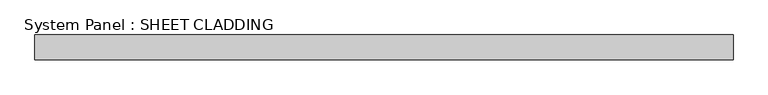
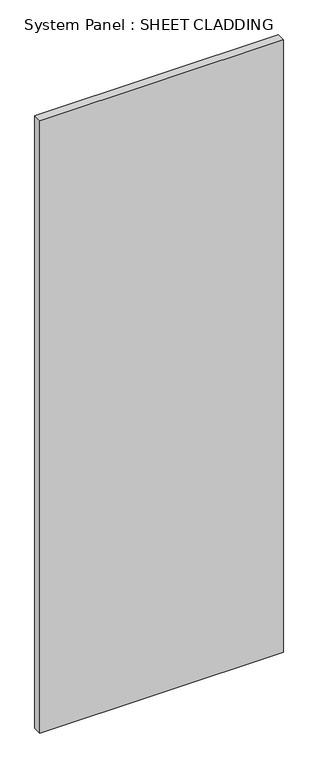
"""IFC4 building model written with IfcOpenShell, lengths in millimetres: plate geometry, System Panel : SHEET CLADDING."""

import ifcopenshell
import ifcopenshell.guid

model = None  # the IFC model being written
_history = None  # IfcOwnerHistory: only IFC2X3 demands one
_inside = {}  # id of a spatial element -> (the spatial element, [elements in it])
_under = {}  # id of a project, library or spatial element -> (it, [spatial elements below it])
_declared = {}  # id of a project -> (the project, [libraries it declares])
_typed = {}  # id of a type object -> (the type object, [elements of that type])
_made_of = {}  # id of a material, layer set ... -> (it, [elements and type objects made of it])


def new_model(schema):
    """Start an empty IFC model of exactly this schema.

    Asked for "IFC4X3", IfcOpenShell would pick the latest addendum, in which some entities
    have other attributes; the version numbers below select the first issue.
    IFC2X3 requires an IfcOwnerHistory on every rooted entity: one is made here for all.
    """
    global model, _history
    if schema == "IFC4X3":
        model = ifcopenshell.file(schema_version=(4, 3, 0, 0))
    else:
        model = ifcopenshell.file(schema=schema)
    _inside.clear()
    _under.clear()
    _declared.clear()
    _typed.clear()
    _made_of.clear()
    _history = None
    if model.schema == "IFC2X3":
        org = make("IfcOrganization", Name="unknown")
        user = make(
            "IfcPersonAndOrganization",
            ThePerson=make("IfcPerson", FamilyName="unknown"),
            TheOrganization=org,
        )
        app = make(
            "IfcApplication",
            ApplicationDeveloper=org,
            Version="unknown",
            ApplicationFullName="unknown",
            ApplicationIdentifier="unknown",
        )
        _history = make(
            "IfcOwnerHistory",
            OwningUser=user,
            OwningApplication=app,
            ChangeAction="ADDED",
            CreationDate=0,
        )
    return model


def make(cls, **values):
    """One entity of the class cls with the attributes given. An attribute that is None is left unset."""
    return model.create_entity(
        cls, **{name: value for name, value in values.items() if value is not None}
    )


def rooted(cls, **values):
    """An entity with a GlobalId (a new one), such as an element, a storey or a relation."""
    return make(cls, GlobalId=ifcopenshell.guid.new(), OwnerHistory=_history, **values)


def si_unit(unit_type, name, prefix=None):
    """IfcSIUnit, for example si_unit("LENGTHUNIT", "METRE", prefix="MILLI")."""
    return make("IfcSIUnit", UnitType=unit_type, Prefix=prefix, Name=name)


def assignment(units):
    """IfcUnitAssignment: the units of a project."""
    return None if units is None else make("IfcUnitAssignment", Units=units)


def point(xyz):
    """IfcCartesianPoint."""
    return None if xyz is None else make("IfcCartesianPoint", Coordinates=xyz)


def direction(xyz):
    """IfcDirection."""
    return None if xyz is None else make("IfcDirection", DirectionRatios=xyz)


def frame(location, z_axis=None, x_axis=None):
    """IfcAxis2Placement3D, a coordinate frame: its origin and axes. An axis left out is left unset."""
    return make(
        "IfcAxis2Placement3D",
        Location=point(location),
        Axis=direction(z_axis),
        RefDirection=direction(x_axis),
    )


def origin():
    """The frame at (0, 0, 0) with its axes left unset."""
    return frame((0.0, 0.0, 0.0))


def origin_with_axes():
    """The frame at (0, 0, 0) with the z axis (0, 0, 1) and the x axis (1, 0, 0) written out."""
    return frame((0.0, 0.0, 0.0), z_axis=(0.0, 0.0, 1.0), x_axis=(1.0, 0.0, 0.0))


def place(relative_to, where):
    """IfcLocalPlacement: puts the frame where relative to a parent placement (None: the world)."""
    return make(
        "IfcLocalPlacement", PlacementRelTo=relative_to, RelativePlacement=where
    )


def context(
    kind, dimensions, precision=None, world=None, true_north=None, identifier=None
):
    """IfcGeometricRepresentationContext, for example the 3D "Model" context."""
    return make(
        "IfcGeometricRepresentationContext",
        ContextIdentifier=identifier,
        ContextType=kind,
        CoordinateSpaceDimension=dimensions,
        Precision=precision,
        WorldCoordinateSystem=world,
        TrueNorth=true_north,
    )


def project(units=None, contexts=None):
    """IfcProject with its units and contexts."""
    return rooted(
        "IfcProject",
        Name="project",
        RepresentationContexts=contexts,
        UnitsInContext=assignment(units),
    )


def spatial(cls, under=None, at=None, **own):
    """A site, building, storey or space (cls), placed at a placement, below another one or the project."""
    s = rooted(cls, ObjectPlacement=at, **own)
    if under is not None:
        _under.setdefault(under.id(), (under, []))[1].append(s)
    return s


def polyline(points):
    """IfcPolyline through the points."""
    return make("IfcPolyline", Points=[point(p) for p in points])


def outline(outer, holes=None, kind="AREA"):
    """IfcArbitraryClosedProfileDef: a profile drawn as a closed curve; with holes, ...WithVoids."""
    if holes is None:
        return make("IfcArbitraryClosedProfileDef", ProfileType=kind, OuterCurve=outer)
    return make(
        "IfcArbitraryProfileDefWithVoids",
        ProfileType=kind,
        OuterCurve=outer,
        InnerCurves=holes,
    )


def extrude(swept, where, along, depth):
    """IfcExtrudedAreaSolid: the profile swept, set in the frame where, extruded along a direction by depth."""
    return make(
        "IfcExtrudedAreaSolid",
        SweptArea=swept,
        Position=where,
        ExtrudedDirection=direction(along),
        Depth=depth,
    )


def shape(context_of_items, identifier, shape_type, items):
    """IfcShapeRepresentation: the items that make up one representation, for example the "Body"."""
    return make(
        "IfcShapeRepresentation",
        ContextOfItems=context_of_items,
        RepresentationIdentifier=identifier,
        RepresentationType=shape_type,
        Items=items,
    )


def source(mapping_origin, context_of_items, identifier, shape_type, items):
    """IfcRepresentationMap: a shape defined once, which mapped items show again and again."""
    return make(
        "IfcRepresentationMap",
        MappingOrigin=mapping_origin,
        MappedRepresentation=shape(context_of_items, identifier, shape_type, items),
    )


def transform(
    local_origin,
    x_axis=None,
    y_axis=None,
    z_axis=None,
    scale=None,
    scale2=None,
    scale3=None,
    uniform=True,
):
    """IfcCartesianTransformationOperator3D, or its non-uniform kind. x_axis, y_axis, z_axis: its Axis1, 2, 3."""
    if uniform:
        return make(
            "IfcCartesianTransformationOperator3D",
            Axis1=direction(x_axis),
            Axis2=direction(y_axis),
            LocalOrigin=point(local_origin),
            Scale=scale,
            Axis3=direction(z_axis),
        )
    return make(
        "IfcCartesianTransformationOperator3DnonUniform",
        Axis1=direction(x_axis),
        Axis2=direction(y_axis),
        LocalOrigin=point(local_origin),
        Scale=scale,
        Axis3=direction(z_axis),
        Scale2=scale2,
        Scale3=scale3,
    )


def mapped(mapping_source, mapping_target):
    """IfcMappedItem: shows the shape of a source again, moved by a transform."""
    return make(
        "IfcMappedItem", MappingSource=mapping_source, MappingTarget=mapping_target
    )


def made_of(thing, what):
    """Note that an element or type object is made of a material, layer set ...; save() writes the relation."""
    if what is not None:
        _made_of.setdefault(what.id(), (what, []))[1].append(thing)
    return thing


def element(
    cls,
    number,
    at=None,
    inside=None,
    cuts=None,
    type_object=None,
    material=None,
    context=None,
    identifier="Body",
    shape_type=None,
    held_by="IfcProductDefinitionShape",
    body=None,
    shapes=None,
    **own,
):
    """One element of the class cls, such as IfcWall. Its Tag is "e" and its number.

    at: its placement. inside: the storey or other place that contains it. cuts: it is an
    opening in that element (IfcRelVoidsElement). A single representation is given by context,
    identifier, shape_type and body (its items); several are given by shapes. held_by: the class
    of the entity that holds the representations. save() writes the other relations.
    """
    e = rooted(cls, Tag="e%d" % number, ObjectPlacement=at, **own)
    if body is not None:
        shapes = [shape(context, identifier, shape_type, body)]
    if shapes is not None:
        e.Representation = make(held_by, Representations=shapes)
    if inside is not None:
        _inside.setdefault(inside.id(), (inside, []))[1].append(e)
    if cuts is not None:
        rooted(
            "IfcRelVoidsElement", RelatingBuildingElement=cuts, RelatedOpeningElement=e
        )
    if type_object is not None:
        _typed.setdefault(type_object.id(), (type_object, []))[1].append(e)
    return made_of(e, material)


def aggregate(whole, parts):
    """IfcRelAggregates: a whole, such as a stair, and the parts it consists of."""
    return rooted("IfcRelAggregates", RelatingObject=whole, RelatedObjects=parts)


def save(model, path):
    """Write the relations noted so far, then the file.

    IfcRelAggregates (storeys below a building ...), IfcRelContainedInSpatialStructure (elements
    in a storey), IfcRelDefinesByType, IfcRelAssociatesMaterial and IfcRelDeclares: one each for
    every whole, place, type object, material and project.
    """
    for whole, parts in _under.values():
        aggregate(whole, parts)
    for where, things in _inside.values():
        rooted(
            "IfcRelContainedInSpatialStructure",
            RelatedElements=things,
            RelatingStructure=where,
        )
    for kind, things in _typed.values():
        rooted("IfcRelDefinesByType", RelatedObjects=things, RelatingType=kind)
    for what, things in _made_of.values():
        rooted("IfcRelAssociatesMaterial", RelatedObjects=things, RelatingMaterial=what)
    for by, libraries in _declared.values():
        rooted("IfcRelDeclares", RelatingContext=by, RelatedDefinitions=libraries)
    model.write(path)


def system_panel_sheet_cladding_d3a2a2c6(model_context):
    return source(origin(), model_context, "Body", "SweptSolid", [
        extrude(outline(polyline([(846.6012095, -49.5), (-846.6012095, -49.5), (-846.6012095, 10.5), (846.6012095, 10.5), (846.6012095, -49.5)])), origin_with_axes(), (0.0, 0.0, 1.0), 4500.0),
    ])


if __name__ == "__main__":
    model = new_model("IFC4")
    model_context = context("Model", 3, world=origin())
    ifc_project = project(units=[si_unit("LENGTHUNIT", "METRE", prefix="MILLI")], contexts=[model_context])
    site = spatial("IfcSite", under=ifc_project)
    building = spatial("IfcBuilding", under=site)
    placement = place(None, origin())
    system_panel_sheet_cladding_shape = system_panel_sheet_cladding_d3a2a2c6(model_context)
    element("IfcPlate", 1, ObjectType="System Panel : SHEET CLADDING", at=placement, inside=building, context=model_context, shape_type="MappedRepresentation", body=[
        mapped(system_panel_sheet_cladding_shape, transform((0.0, 0.0, 0.0), x_axis=(1.0, 0.0, 0.0), y_axis=(0.0, 1.0, 0.0), z_axis=(0.0, 0.0, 1.0))),
    ])
    save(model, "model.ifc")
